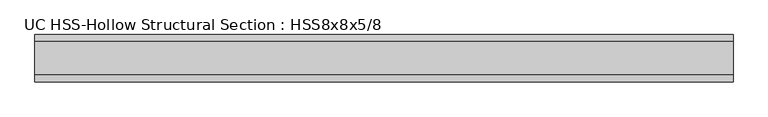
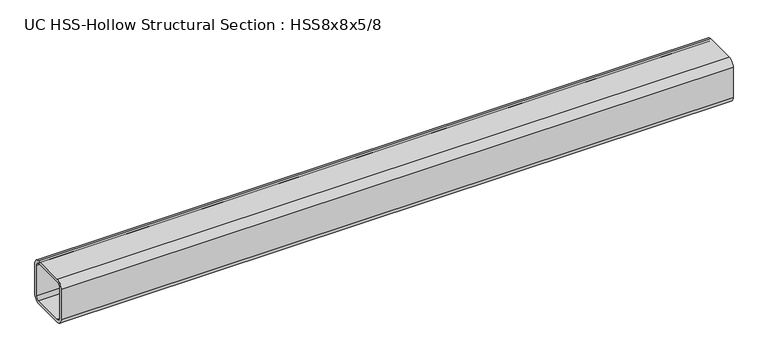
"""IFC4 building model written with IfcOpenShell, lengths in millimetres: member geometry, UC HSS-Hollow Structural Section : HSS8x8x5/8."""

from ifc_helpers import new_model, si_unit, point, frame, frame_2d, origin, place, context, project, spatial, polyline, circle_curve, trimmed, segment, composite_curve, outline, extrude, source, transform, mapped, element, save


def uc_hss_hollow_structural_section_hss8x8x5_8_17fe160c(model_context):
    return source(origin(), model_context, "Body", "SweptSolid", [
        extrude(outline(composite_curve([segment(trimmed(circle_curve(frame_2d((-72.0852, 72.0852)), 29.5148), [point((-101.6, 72.0852))], [point((-72.0852, 101.6))], False, "CARTESIAN"), True, "CONTINUOUS"), segment(polyline([(-72.0852, 101.6), (72.0852, 101.6)]), True, "CONTINUOUS"), segment(trimmed(circle_curve(frame_2d((72.0852, 72.0852)), 29.5148), [point((72.0852, 101.6))], [point((101.6, 72.0852))], False, "CARTESIAN"), True, "CONTINUOUS"), segment(polyline([(101.6, 72.0852), (101.6, -72.0852)]), True, "CONTINUOUS"), segment(trimmed(circle_curve(frame_2d((72.0852, -72.0852)), 29.5148), [point((101.6, -72.0852))], [point((72.0852, -101.6))], False, "CARTESIAN"), True, "CONTINUOUS"), segment(polyline([(72.0852, -101.6), (-72.0852, -101.6)]), True, "CONTINUOUS"), segment(trimmed(circle_curve(frame_2d((-72.0852, -72.0852)), 29.5148), [point((-72.0852, -101.6))], [point((-101.6, -72.0852))], False, "CARTESIAN"), True, "CONTINUOUS"), segment(polyline([(-101.6, -72.0852), (-101.6, 72.0852)]), True, "CONTINUOUS")], self_intersect=False), holes=[composite_curve([segment(polyline([(72.0852, 86.8426), (-72.0852, 86.8426)]), True, "CONTINUOUS"), segment(trimmed(circle_curve(frame_2d((-72.0852, 72.0852)), 14.7574), [point((-72.0852, 86.8426))], [point((-86.8426, 72.0852))], True, "CARTESIAN"), True, "CONTINUOUS"), segment(polyline([(-86.8426, 72.0852), (-86.8426, -72.0852)]), True, "CONTINUOUS"), segment(trimmed(circle_curve(frame_2d((-72.0852, -72.0852)), 14.7574), [point((-86.8426, -72.0852))], [point((-72.0852, -86.8426))], True, "CARTESIAN"), True, "CONTINUOUS"), segment(polyline([(-72.0852, -86.8426), (72.0852, -86.8426)]), True, "CONTINUOUS"), segment(trimmed(circle_curve(frame_2d((72.0852, -72.0852)), 14.7574), [point((72.0852, -86.8426))], [point((86.8426, -72.0852))], True, "CARTESIAN"), True, "CONTINUOUS"), segment(polyline([(86.8426, -72.0852), (86.8426, 72.0852)]), True, "CONTINUOUS"), segment(trimmed(circle_curve(frame_2d((72.0852, 72.0852)), 14.7574), [point((86.8426, 72.0852))], [point((72.0852, 86.8426))], True, "CARTESIAN"), True, "CONTINUOUS")], self_intersect=False)]), frame((-1568.4183618, 0.0, 0.0), z_axis=(1.0, 0.0, 0.0), x_axis=(0.0, 1.0, 0.0)), (0.0, 0.0, 1.0), 3006.7409695),
    ])


if __name__ == "__main__":
    model = new_model("IFC4")
    model_context = context("Model", 3, world=origin())
    ifc_project = project(units=[si_unit("LENGTHUNIT", "METRE", prefix="MILLI")], contexts=[model_context])
    site = spatial("IfcSite", under=ifc_project)
    building = spatial("IfcBuilding", under=site)
    placement = place(None, origin())
    uc_hss_hollow_structural_section_hss8x8x5_8_shape = uc_hss_hollow_structural_section_hss8x8x5_8_17fe160c(model_context)
    element("IfcMember", 1, ObjectType="UC HSS-Hollow Structural Section : HSS8x8x5/8", at=placement, inside=building, context=model_context, shape_type="MappedRepresentation", body=[
        mapped(uc_hss_hollow_structural_section_hss8x8x5_8_shape, transform((0.0, 0.0, 0.0), x_axis=(1.0, 0.0, 0.0), y_axis=(0.0, 1.0, 0.0), z_axis=(0.0, 0.0, 1.0))),
    ])
    save(model, "model.ifc")
